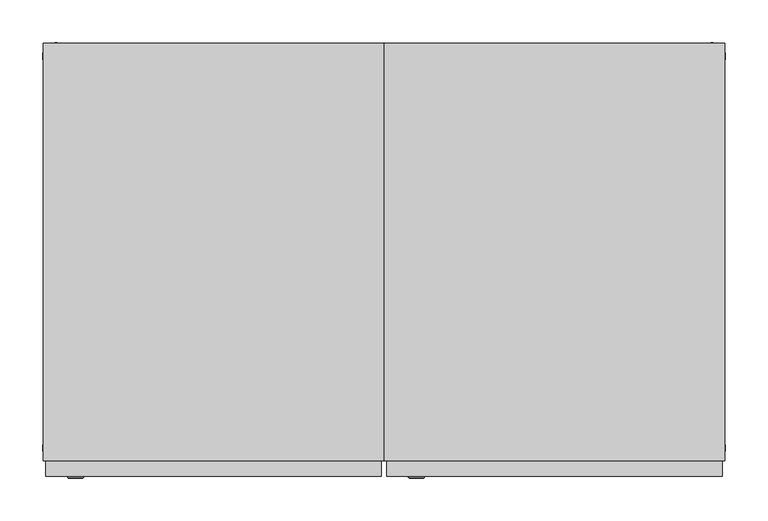
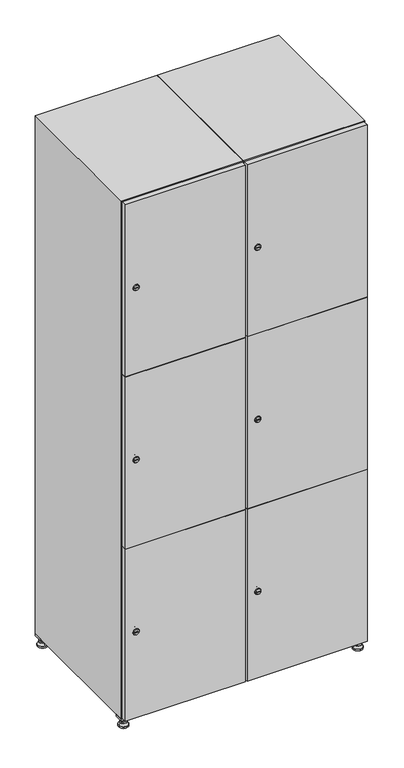
"""IFC4 building model written with IfcOpenShell, lengths in millimetres: furniture geometry."""

from ifc_helpers import new_model, si_unit, point, frame, frame_2d, origin, origin_with_axes, place, context, project, spatial, polyline, circle_curve, trimmed, segment, composite_curve, outline, extrude, faceted_brep, source, transform, mapped, element, save
from ifc_brep_helpers import plane_surface, revolved_surface, advanced_brep


def furniture_502a4980(model_context):
    return source(origin(), model_context, "Body", "SolidModel", [
        extrude(outline(polyline([(600.0, 245.0), (600.0, 215.0), (570.0, 215.0), (570.0, 245.0), (600.0, 245.0)]), holes=[polyline([(598.0, 243.0), (572.0, 243.0), (572.0, 217.0), (598.0, 217.0), (598.0, 243.0)])]), frame((0.0, 0.0, 28.5), z_axis=(0.0, 0.0, 1.0), x_axis=(1.0, 0.0, 0.0)), (0.0, 0.0, 1.0), 6.5),
        extrude(outline(polyline([(570.0, -245.0), (570.0, -215.0), (600.0, -215.0), (600.0, -245.0), (570.0, -245.0)]), holes=[polyline([(572.0, -243.0), (598.0, -243.0), (598.0, -217.0), (572.0, -217.0), (572.0, -243.0)])]), frame((0.0, 0.0, 28.5), z_axis=(0.0, 0.0, 1.0), x_axis=(1.0, 0.0, 0.0)), (0.0, 0.0, 1.0), 6.5),
        extrude(outline(polyline([(-170.0, 245.0), (-170.0, 215.0), (-200.0, 215.0), (-200.0, 245.0), (-170.0, 245.0)]), holes=[polyline([(-172.0, 243.0), (-198.0, 243.0), (-198.0, 217.0), (-172.0, 217.0), (-172.0, 243.0)])]), frame((0.0, 0.0, 28.5), z_axis=(0.0, 0.0, 1.0), x_axis=(1.0, 0.0, 0.0)), (0.0, 0.0, 1.0), 6.5),
        extrude(outline(polyline([(-170.0, -215.0), (-170.0, -245.0), (-200.0, -245.0), (-200.0, -215.0), (-170.0, -215.0)]), holes=[polyline([(-198.0, -243.0), (-172.0, -243.0), (-172.0, -217.0), (-198.0, -217.0), (-198.0, -243.0)])]), frame((0.0, 0.0, 28.5), z_axis=(0.0, 0.0, 1.0), x_axis=(1.0, 0.0, 0.0)), (0.0, 0.0, 1.0), 6.5),
        extrude(outline(composite_curve([segment(trimmed(circle_curve(frame_2d((-185.0, 230.0)), 5.0), [point((-180.0, 230.0))], [point((-190.0, 230.0))], False, "CARTESIAN"), True, "CONTINUOUS"), segment(trimmed(circle_curve(frame_2d((-185.0, 230.0)), 5.0), [point((-190.0, 230.0))], [point((-180.0, 230.0))], False, "CARTESIAN"), True, "CONTINUOUS")], self_intersect=False)), frame((0.0, 0.0, 19.6), z_axis=(0.0, 0.0, 1.0), x_axis=(1.0, 0.0, 0.0)), (0.0, 0.0, 1.0), 15.4),
        extrude(outline(composite_curve([segment(trimmed(circle_curve(frame_2d((-185.0, -230.0)), 5.0), [point((-180.0, -230.0))], [point((-190.0, -230.0))], False, "CARTESIAN"), True, "CONTINUOUS"), segment(trimmed(circle_curve(frame_2d((-185.0, -230.0)), 5.0), [point((-190.0, -230.0))], [point((-180.0, -230.0))], False, "CARTESIAN"), True, "CONTINUOUS")], self_intersect=False)), frame((0.0, 0.0, 19.6), z_axis=(0.0, 0.0, 1.0), x_axis=(1.0, 0.0, 0.0)), (0.0, 0.0, 1.0), 15.4),
        extrude(outline(composite_curve([segment(trimmed(circle_curve(frame_2d((585.0, 230.0)), 5.0), [point((590.0, 230.0))], [point((580.0, 230.0))], False, "CARTESIAN"), True, "CONTINUOUS"), segment(trimmed(circle_curve(frame_2d((585.0, 230.0)), 5.0), [point((580.0, 230.0))], [point((590.0, 230.0))], False, "CARTESIAN"), True, "CONTINUOUS")], self_intersect=False)), frame((0.0, 0.0, 19.6), z_axis=(0.0, 0.0, 1.0), x_axis=(1.0, 0.0, 0.0)), (0.0, 0.0, 1.0), 15.4),
        extrude(outline(polyline([(573.4529946, 230.0), (579.2264973, 240.0), (590.7735027, 240.0), (596.5470054, 230.0), (590.7735027, 220.0), (579.2264973, 220.0), (573.4529946, 230.0)])), frame((0.0, 0.0, 13.6), z_axis=(0.0, 0.0, 1.0), x_axis=(1.0, 0.0, 0.0)), (0.0, 0.0, 1.0), 6.0),
        extrude(outline(composite_curve([segment(trimmed(circle_curve(frame_2d((585.0, -230.0)), 5.0), [point((590.0, -230.0))], [point((580.0, -230.0))], False, "CARTESIAN"), True, "CONTINUOUS"), segment(trimmed(circle_curve(frame_2d((585.0, -230.0)), 5.0), [point((580.0, -230.0))], [point((590.0, -230.0))], False, "CARTESIAN"), True, "CONTINUOUS")], self_intersect=False)), frame((0.0, 0.0, 19.6), z_axis=(0.0, 0.0, 1.0), x_axis=(1.0, 0.0, 0.0)), (0.0, 0.0, 1.0), 15.4),
        extrude(outline(polyline([(573.4529946, -230.0), (579.2264973, -220.0), (590.7735027, -220.0), (596.5470054, -230.0), (590.7735027, -240.0), (579.2264973, -240.0), (573.4529946, -230.0)])), frame((0.0, 0.0, 13.6), z_axis=(0.0, 0.0, 1.0), x_axis=(1.0, 0.0, 0.0)), (0.0, 0.0, 1.0), 6.0),
        extrude(outline(composite_curve([segment(trimmed(circle_curve(frame_2d((585.0, 230.0)), 5.0), [point((590.0, 230.0))], [point((580.0, 230.0))], False, "CARTESIAN"), True, "CONTINUOUS"), segment(trimmed(circle_curve(frame_2d((585.0, 230.0)), 5.0), [point((580.0, 230.0))], [point((590.0, 230.0))], False, "CARTESIAN"), True, "CONTINUOUS")], self_intersect=False)), frame((0.0, 0.0, 12.1), z_axis=(0.0, 0.0, 1.0), x_axis=(1.0, 0.0, 0.0)), (0.0, 0.0, 1.0), 1.5),
        extrude(outline(composite_curve([segment(trimmed(circle_curve(frame_2d((585.0, -230.0)), 5.0), [point((590.0, -230.0))], [point((580.0, -230.0))], False, "CARTESIAN"), True, "CONTINUOUS"), segment(trimmed(circle_curve(frame_2d((585.0, -230.0)), 5.0), [point((580.0, -230.0))], [point((590.0, -230.0))], False, "CARTESIAN"), True, "CONTINUOUS")], self_intersect=False)), frame((0.0, 0.0, 12.1), z_axis=(0.0, 0.0, 1.0), x_axis=(1.0, 0.0, 0.0)), (0.0, 0.0, 1.0), 1.5),
        extrude(outline(polyline([(-196.5470054, 230.0), (-190.7735027, 240.0), (-179.2264973, 240.0), (-173.4529946, 230.0), (-179.2264973, 220.0), (-190.7735027, 220.0), (-196.5470054, 230.0)])), frame((0.0, 0.0, 13.6), z_axis=(0.0, 0.0, 1.0), x_axis=(1.0, 0.0, 0.0)), (0.0, 0.0, 1.0), 6.0),
        extrude(outline(polyline([(-196.5470054, -230.0), (-190.7735027, -220.0), (-179.2264973, -220.0), (-173.4529946, -230.0), (-179.2264973, -240.0), (-190.7735027, -240.0), (-196.5470054, -230.0)])), frame((0.0, 0.0, 13.6), z_axis=(0.0, 0.0, 1.0), x_axis=(1.0, 0.0, 0.0)), (0.0, 0.0, 1.0), 6.0),
        extrude(outline(composite_curve([segment(trimmed(circle_curve(frame_2d((-185.0, 230.0)), 5.0), [point((-185.0, 235.0))], [point((-185.0, 225.0))], False, "CARTESIAN"), True, "CONTINUOUS"), segment(trimmed(circle_curve(frame_2d((-185.0, 230.0)), 5.0), [point((-185.0, 225.0))], [point((-185.0, 235.0))], False, "CARTESIAN"), True, "CONTINUOUS")], self_intersect=False)), frame((0.0, 0.0, 12.1), z_axis=(0.0, 0.0, 1.0), x_axis=(1.0, 0.0, 0.0)), (0.0, 0.0, 1.0), 1.5),
        extrude(outline(composite_curve([segment(trimmed(circle_curve(frame_2d((-185.0, -230.0)), 5.0), [point((-180.0, -230.0))], [point((-190.0, -230.0))], False, "CARTESIAN"), True, "CONTINUOUS"), segment(trimmed(circle_curve(frame_2d((-185.0, -230.0)), 5.0), [point((-190.0, -230.0))], [point((-180.0, -230.0))], False, "CARTESIAN"), True, "CONTINUOUS")], self_intersect=False)), frame((0.0, 0.0, 12.1), z_axis=(0.0, 0.0, 1.0), x_axis=(1.0, 0.0, 0.0)), (0.0, 0.0, 1.0), 1.5),
        extrude(outline(composite_curve([segment(trimmed(circle_curve(frame_2d((585.0, 230.0)), 15.75), [point((600.75, 230.0))], [point((569.25, 230.0))], False, "CARTESIAN"), True, "CONTINUOUS"), segment(trimmed(circle_curve(frame_2d((585.0, 230.0)), 15.75), [point((569.25, 230.0))], [point((600.75, 230.0))], False, "CARTESIAN"), True, "CONTINUOUS")], self_intersect=False)), origin_with_axes(), (0.0, 0.0, 1.0), 5.1),
        extrude(outline(composite_curve([segment(trimmed(circle_curve(frame_2d((585.0, -230.0)), 15.75), [point((585.0, -214.25))], [point((585.0, -245.75))], False, "CARTESIAN"), True, "CONTINUOUS"), segment(trimmed(circle_curve(frame_2d((585.0, -230.0)), 15.75), [point((585.0, -245.75))], [point((585.0, -214.25))], False, "CARTESIAN"), True, "CONTINUOUS")], self_intersect=False)), origin_with_axes(), (0.0, 0.0, 1.0), 5.1),
        extrude(outline(composite_curve([segment(trimmed(circle_curve(frame_2d((-185.0, -230.0)), 15.75), [point((-169.25, -230.0))], [point((-200.75, -230.0))], False, "CARTESIAN"), True, "CONTINUOUS"), segment(trimmed(circle_curve(frame_2d((-185.0, -230.0)), 15.75), [point((-200.75, -230.0))], [point((-169.25, -230.0))], False, "CARTESIAN"), True, "CONTINUOUS")], self_intersect=False)), origin_with_axes(), (0.0, 0.0, 1.0), 5.1),
        extrude(outline(composite_curve([segment(trimmed(circle_curve(frame_2d((-185.0, 230.0)), 15.75), [point((-169.25, 230.0))], [point((-200.75, 230.0))], False, "CARTESIAN"), True, "CONTINUOUS"), segment(trimmed(circle_curve(frame_2d((-185.0, 230.0)), 15.75), [point((-200.75, 230.0))], [point((-169.25, 230.0))], False, "CARTESIAN"), True, "CONTINUOUS")], self_intersect=False)), origin_with_axes(), (0.0, 0.0, 1.0), 5.1),
        advanced_brep(
        [(-185.0, 239.5, 12.1), (-185.0, 220.5, 12.1), (-185.0, 214.25, 5.1), (-185.0, 245.75, 5.1)],
        [
            (0, 1, circle_curve(frame((-185.0, 230.0, 12.1), z_axis=(0.0, 0.0, -1.0), x_axis=(0.0, 1.0, 0.0)), 9.5)),
            (1, 2),
            (2, 3, circle_curve(frame((-185.0, 230.0, 5.1), z_axis=(0.0, 0.0, 1.0), x_axis=(0.0, 1.0, 0.0)), 15.75)),
            (3, 0),
            (1, 0, circle_curve(frame((-185.0, 230.0, 12.1), z_axis=(0.0, 0.0, -1.0), x_axis=(0.0, -1.0, 0.0)), 9.5)),
            (3, 2, circle_curve(frame((-185.0, 230.0, 5.1), z_axis=(0.0, 0.0, 1.0), x_axis=(0.0, -1.0, 0.0)), 15.75)),
        ],
        [
            revolved_surface(polyline([(-185.0, 220.5, 12.099999999999998), (-185.0, 214.25, 5.099999999999998)]), (-185.0, 230.0, 22.74), (0.0, 0.0, -1.0)),
            revolved_surface(polyline([(-185.0, 239.5, 12.099999999999998), (-185.0, 245.75, 5.099999999999998)]), (-185.0, 230.0, 22.74), (0.0, 0.0, -1.0)),
            plane_surface(frame((-185.0, 230.0, 5.1), z_axis=(0.0, 0.0, -1.0), x_axis=(1.0, 0.0, 0.0))),
            plane_surface(frame((-185.0, 230.0, 12.1), z_axis=(0.0, 0.0, 1.0), x_axis=(1.0, 0.0, 0.0))),
        ],
        [
            (0, [[1, 2, 3, 4]]),
            (1, [[5, -4, 6, -2]]),
            (2, [[-3, -6]]),
            (3, [[-5, -1]]),
        ],
    ),
        advanced_brep(
        [(585.0, 239.5, 12.1), (585.0, 220.5, 12.1), (585.0, 214.25, 5.1), (585.0, 245.75, 5.1)],
        [
            (0, 1, circle_curve(frame((585.0, 230.0, 12.1), z_axis=(0.0, 0.0, -1.0), x_axis=(0.0, 1.0, 0.0)), 9.5)),
            (1, 2),
            (2, 3, circle_curve(frame((585.0, 230.0, 5.1), z_axis=(0.0, 0.0, 1.0), x_axis=(0.0, 1.0, 0.0)), 15.75)),
            (3, 0),
            (1, 0, circle_curve(frame((585.0, 230.0, 12.1), z_axis=(0.0, 0.0, -1.0), x_axis=(0.0, -1.0, 0.0)), 9.5)),
            (3, 2, circle_curve(frame((585.0, 230.0, 5.1), z_axis=(0.0, 0.0, 1.0), x_axis=(0.0, -1.0, 0.0)), 15.75)),
        ],
        [
            revolved_surface(polyline([(585.0, 220.5, 12.099999999999998), (585.0, 214.25, 5.099999999999998)]), (585.0, 230.0, 22.74), (0.0, 0.0, -1.0)),
            revolved_surface(polyline([(585.0, 239.5, 12.099999999999998), (585.0, 245.75, 5.099999999999998)]), (585.0, 230.0, 22.74), (0.0, 0.0, -1.0)),
            plane_surface(frame((585.0, 230.0, 5.1), z_axis=(0.0, 0.0, -1.0), x_axis=(1.0, 0.0, 0.0))),
            plane_surface(frame((585.0, 230.0, 12.1), z_axis=(0.0, 0.0, 1.0), x_axis=(1.0, 0.0, 0.0))),
        ],
        [
            (0, [[1, 2, 3, 4]]),
            (1, [[5, -4, 6, -2]]),
            (2, [[-3, -6]]),
            (3, [[-5, -1]]),
        ],
    ),
        advanced_brep(
        [(600.75, -230.0, 5.1), (569.25, -230.0, 5.1), (575.5, -230.0, 12.1), (594.5, -230.0, 12.1)],
        [
            (0, 1, circle_curve(frame((585.0, -230.0, 5.1), z_axis=(0.0, 0.0, 1.0), x_axis=(1.0, 0.0, 0.0)), 15.75)),
            (1, 2),
            (2, 3, circle_curve(frame((585.0, -230.0, 12.1), z_axis=(0.0, 0.0, -1.0), x_axis=(1.0, 0.0, 0.0)), 9.5)),
            (3, 0),
            (1, 0, circle_curve(frame((585.0, -230.0, 5.1), z_axis=(0.0, 0.0, 1.0), x_axis=(-1.0, 0.0, 0.0)), 15.75)),
            (3, 2, circle_curve(frame((585.0, -230.0, 12.1), z_axis=(0.0, 0.0, -1.0), x_axis=(-1.0, 0.0, 0.0)), 9.5)),
        ],
        [
            revolved_surface(polyline([(594.5, -230.0, 12.099999999999998), (600.75, -230.0, 5.099999999999998)]), (585.0, -230.0, 22.74), (0.0, 0.0, -1.0)),
            revolved_surface(polyline([(575.5, -230.0, 12.099999999999998), (569.25, -230.0, 5.099999999999998)]), (585.0, -230.0, 22.74), (0.0, 0.0, -1.0)),
            plane_surface(frame((585.0, -230.0, 12.1), z_axis=(0.0, 0.0, 1.0), x_axis=(0.0, 1.0, 0.0))),
            plane_surface(frame((585.0, -230.0, 5.1), z_axis=(0.0, 0.0, -1.0), x_axis=(0.0, 1.0, 0.0))),
        ],
        [
            (0, [[1, 2, 3, 4]]),
            (1, [[5, -4, 6, -2]]),
            (2, [[-3, -6]]),
            (3, [[-5, -1]]),
        ],
    ),
        advanced_brep(
        [(-169.25, -230.0, 5.1), (-200.75, -230.0, 5.1), (-194.5, -230.0, 12.1), (-175.5, -230.0, 12.1)],
        [
            (0, 1, circle_curve(frame((-185.0, -230.0, 5.1), z_axis=(0.0, 0.0, 1.0), x_axis=(1.0, 0.0, 0.0)), 15.75)),
            (1, 2),
            (2, 3, circle_curve(frame((-185.0, -230.0, 12.1), z_axis=(0.0, 0.0, -1.0), x_axis=(1.0, 0.0, 0.0)), 9.5)),
            (3, 0),
            (1, 0, circle_curve(frame((-185.0, -230.0, 5.1), z_axis=(0.0, 0.0, 1.0), x_axis=(-1.0, 0.0, 0.0)), 15.75)),
            (3, 2, circle_curve(frame((-185.0, -230.0, 12.1), z_axis=(0.0, 0.0, -1.0), x_axis=(-1.0, 0.0, 0.0)), 9.5)),
        ],
        [
            revolved_surface(polyline([(-175.5, -230.0, 12.099999999999998), (-169.25, -230.0, 5.099999999999998)]), (-185.0, -230.0, 22.74), (0.0, 0.0, -1.0)),
            revolved_surface(polyline([(-194.5, -230.0, 12.099999999999998), (-200.75, -230.0, 5.099999999999998)]), (-185.0, -230.0, 22.74), (0.0, 0.0, -1.0)),
            plane_surface(frame((-185.0, -230.0, 12.1), z_axis=(0.0, 0.0, 1.0), x_axis=(0.0, 1.0, 0.0))),
            plane_surface(frame((-185.0, -230.0, 5.1), z_axis=(0.0, 0.0, -1.0), x_axis=(0.0, 1.0, 0.0))),
        ],
        [
            (0, [[1, 2, 3, 4]]),
            (1, [[5, -4, 6, -2]]),
            (2, [[-3, -6]]),
            (3, [[-5, -1]]),
        ],
    ),
        extrude(outline(composite_curve([segment(trimmed(circle_curve(frame_2d((337.0, 211.2010534)), 7.0), [point((344.0, 211.2010534))], [point((330.0, 211.2010534))], False, "CARTESIAN"), True, "CONTINUOUS"), segment(polyline([(330.0, 211.2010534), (330.0, 239.2010534)]), True, "CONTINUOUS"), segment(trimmed(circle_curve(frame_2d((337.0, 239.2010534)), 7.0), [point((330.0, 239.2010534))], [point((344.0, 239.2010534))], False, "CARTESIAN"), True, "CONTINUOUS"), segment(polyline([(344.0, 239.2010534), (344.0, 211.2010534)]), True, "CONTINUOUS")], self_intersect=False)), frame((0.0, -245.0, 0.0), z_axis=(0.0, 1.0, 0.0), x_axis=(0.0, 0.0, 1.0)), (0.0, 0.0, 1.0), 2.0),
        advanced_brep(
        [(246.5, -265.2, 337.0), (229.5, -265.2, 337.0), (233.0, -265.2, 335.75), (233.0, -265.2, 338.25), (243.0, -265.2, 338.25), (243.0, -265.2, 335.75), (248.5, -263.0, 337.0), (227.5, -263.0, 337.0), (233.0, -263.0, 338.25), (233.0, -263.0, 335.75), (243.0, -263.0, 335.75), (243.0, -263.0, 338.25)],
        [
            (0, 1, circle_curve(frame((238.0, -265.2, 337.0), z_axis=(0.0, -1.0, 0.0), x_axis=(1.0, 0.0, 0.0)), 8.5)),
            (1, 0, circle_curve(frame((238.0, -265.2, 337.0), z_axis=(0.0, -1.0, 0.0), x_axis=(-1.0, 0.0, 0.0)), 8.5)),
            (2, 3),
            (3, 4),
            (4, 5),
            (5, 2),
            (6, 7, circle_curve(frame((238.0, -263.0, 337.0), z_axis=(0.0, 1.0, 0.0), x_axis=(-1.0, 0.0, 0.0)), 10.5)),
            (7, 6, circle_curve(frame((238.0, -263.0, 337.0), z_axis=(0.0, 1.0, 0.0), x_axis=(1.0, 0.0, 0.0)), 10.5)),
            (8, 9),
            (9, 10),
            (10, 11),
            (11, 8),
            (0, 6),
            (7, 1),
            (8, 3),
            (2, 9),
            (11, 4),
            (10, 5),
        ],
        [
            plane_surface(frame((238.0, -265.2, 337.0), z_axis=(0.0, -1.0, 0.0), x_axis=(0.0, 0.0, 1.0))),
            plane_surface(frame((238.0, -263.0, 337.0), z_axis=(0.0, 1.0, 0.0), x_axis=(0.0, 0.0, 1.0))),
            revolved_surface(polyline([(246.5, -265.2, 337.0), (248.5, -263.0, 337.0)]), (238.0, -274.55, 337.0), (0.0, 1.0, 0.0)),
            revolved_surface(polyline([(229.5, -265.2, 337.0), (227.5, -263.0, 337.0)]), (238.0, -274.55, 337.0), (0.0, 1.0, 0.0)),
            plane_surface(frame((233.0, -263.0, 335.75), z_axis=(1.0, 0.0, 0.0), x_axis=(0.0, -1.0, 0.0))),
            plane_surface(frame((233.0, -263.0, 338.25), z_axis=(0.0, 0.0, -1.0), x_axis=(0.0, -1.0, 0.0))),
            plane_surface(frame((243.0, -263.0, 338.25), z_axis=(-1.0, 0.0, 0.0), x_axis=(0.0, -1.0, 0.0))),
            plane_surface(frame((243.0, -263.0, 335.75), z_axis=(0.0, 0.0, 1.0), x_axis=(0.0, -1.0, 0.0))),
        ],
        [
            (0, [[1, 2], [3, 4, 5, 6]]),
            (1, [[7, 8], [9, 10, 11, 12]]),
            (2, [[-1, 13, -8, 14]]),
            (3, [[-2, -14, -7, -13]]),
            (4, [[15, -3, 16, -9]]),
            (5, [[-15, -12, 17, -4]]),
            (6, [[-17, -11, 18, -5]]),
            (7, [[-16, -6, -18, -10]]),
        ],
    ),
        extrude(outline(composite_curve([segment(trimmed(circle_curve(frame_2d((935.0, 211.2010534)), 7.0), [point((942.0, 211.2010534))], [point((928.0, 211.2010534))], False, "CARTESIAN"), True, "CONTINUOUS"), segment(polyline([(928.0, 211.2010534), (928.0, 239.2010534)]), True, "CONTINUOUS"), segment(trimmed(circle_curve(frame_2d((935.0, 239.2010534)), 7.0), [point((928.0, 239.2010534))], [point((942.0, 239.2010534))], False, "CARTESIAN"), True, "CONTINUOUS"), segment(polyline([(942.0, 239.2010534), (942.0, 211.2010534)]), True, "CONTINUOUS")], self_intersect=False)), frame((0.0, -245.0, 0.0), z_axis=(0.0, 1.0, 0.0), x_axis=(0.0, 0.0, 1.0)), (0.0, 0.0, 1.0), 2.0),
        advanced_brep(
        [(246.5, -265.2, 935.0), (229.5, -265.2, 935.0), (233.0, -265.2, 933.75), (233.0, -265.2, 936.25), (243.0, -265.2, 936.25), (243.0, -265.2, 933.75), (248.5, -263.0, 935.0), (227.5, -263.0, 935.0), (233.0, -263.0, 936.25), (233.0, -263.0, 933.75), (243.0, -263.0, 933.75), (243.0, -263.0, 936.25)],
        [
            (0, 1, circle_curve(frame((238.0, -265.2, 935.0), z_axis=(0.0, -1.0, 0.0), x_axis=(1.0, 0.0, 0.0)), 8.5)),
            (1, 0, circle_curve(frame((238.0, -265.2, 935.0), z_axis=(0.0, -1.0, 0.0), x_axis=(-1.0, 0.0, 0.0)), 8.5)),
            (2, 3),
            (3, 4),
            (4, 5),
            (5, 2),
            (6, 7, circle_curve(frame((238.0, -263.0, 935.0), z_axis=(0.0, 1.0, 0.0), x_axis=(-1.0, 0.0, 0.0)), 10.5)),
            (7, 6, circle_curve(frame((238.0, -263.0, 935.0), z_axis=(0.0, 1.0, 0.0), x_axis=(1.0, 0.0, 0.0)), 10.5)),
            (8, 9),
            (9, 10),
            (10, 11),
            (11, 8),
            (0, 6),
            (7, 1),
            (8, 3),
            (2, 9),
            (11, 4),
            (10, 5),
        ],
        [
            plane_surface(frame((238.0, -265.2, 935.0), z_axis=(0.0, -1.0, 0.0), x_axis=(0.0, 0.0, 1.0))),
            plane_surface(frame((238.0, -263.0, 935.0), z_axis=(0.0, 1.0, 0.0), x_axis=(0.0, 0.0, 1.0))),
            revolved_surface(polyline([(246.5, -265.2, 935.0), (248.5, -263.0, 935.0)]), (238.0, -274.55, 935.0), (0.0, 1.0, 0.0)),
            revolved_surface(polyline([(229.5, -265.2, 935.0), (227.5, -263.0, 935.0)]), (238.0, -274.55, 935.0), (0.0, 1.0, 0.0)),
            plane_surface(frame((233.0, -263.0, 933.75), z_axis=(1.0, 0.0, 0.0), x_axis=(0.0, -1.0, 0.0))),
            plane_surface(frame((233.0, -263.0, 936.25), z_axis=(0.0, 0.0, -1.0), x_axis=(0.0, -1.0, 0.0))),
            plane_surface(frame((243.0, -263.0, 936.25), z_axis=(-1.0, 0.0, 0.0), x_axis=(0.0, -1.0, 0.0))),
            plane_surface(frame((243.0, -263.0, 933.75), z_axis=(0.0, 0.0, 1.0), x_axis=(0.0, -1.0, 0.0))),
        ],
        [
            (0, [[1, 2], [3, 4, 5, 6]]),
            (1, [[7, 8], [9, 10, 11, 12]]),
            (2, [[-1, 13, -8, 14]]),
            (3, [[-2, -14, -7, -13]]),
            (4, [[15, -3, 16, -9]]),
            (5, [[-15, -12, 17, -4]]),
            (6, [[-17, -11, 18, -5]]),
            (7, [[-16, -6, -18, -10]]),
        ],
    ),
        extrude(outline(composite_curve([segment(trimmed(circle_curve(frame_2d((1533.0, 211.2010534)), 7.0), [point((1540.0, 211.2010534))], [point((1526.0, 211.2010534))], False, "CARTESIAN"), True, "CONTINUOUS"), segment(polyline([(1526.0, 211.2010534), (1526.0, 239.2010534)]), True, "CONTINUOUS"), segment(trimmed(circle_curve(frame_2d((1533.0, 239.2010534)), 7.0), [point((1526.0, 239.2010534))], [point((1540.0, 239.2010534))], False, "CARTESIAN"), True, "CONTINUOUS"), segment(polyline([(1540.0, 239.2010534), (1540.0, 211.2010534)]), True, "CONTINUOUS")], self_intersect=False)), frame((0.0, -245.0, 0.0), z_axis=(0.0, 1.0, 0.0), x_axis=(0.0, 0.0, 1.0)), (0.0, 0.0, 1.0), 2.0),
        advanced_brep(
        [(246.5, -265.2, 1533.0), (229.5, -265.2, 1533.0), (233.0, -265.2, 1531.75), (233.0, -265.2, 1534.25), (243.0, -265.2, 1534.25), (243.0, -265.2, 1531.75), (248.5, -263.0, 1533.0), (227.5, -263.0, 1533.0), (233.0, -263.0, 1534.25), (233.0, -263.0, 1531.75), (243.0, -263.0, 1531.75), (243.0, -263.0, 1534.25)],
        [
            (0, 1, circle_curve(frame((238.0, -265.2, 1533.0), z_axis=(0.0, -1.0, 0.0), x_axis=(1.0, 0.0, 0.0)), 8.5)),
            (1, 0, circle_curve(frame((238.0, -265.2, 1533.0), z_axis=(0.0, -1.0, 0.0), x_axis=(-1.0, 0.0, 0.0)), 8.5)),
            (2, 3),
            (3, 4),
            (4, 5),
            (5, 2),
            (6, 7, circle_curve(frame((238.0, -263.0, 1533.0), z_axis=(0.0, 1.0, 0.0), x_axis=(-1.0, 0.0, 0.0)), 10.5)),
            (7, 6, circle_curve(frame((238.0, -263.0, 1533.0), z_axis=(0.0, 1.0, 0.0), x_axis=(1.0, 0.0, 0.0)), 10.5)),
            (8, 9),
            (9, 10),
            (10, 11),
            (11, 8),
            (0, 6),
            (7, 1),
            (8, 3),
            (2, 9),
            (11, 4),
            (10, 5),
        ],
        [
            plane_surface(frame((238.0, -265.2, 1533.0), z_axis=(0.0, -1.0, 0.0), x_axis=(0.0, 0.0, 1.0))),
            plane_surface(frame((238.0, -263.0, 1533.0), z_axis=(0.0, 1.0, 0.0), x_axis=(0.0, 0.0, 1.0))),
            revolved_surface(polyline([(246.5, -265.2, 1533.0), (248.5, -263.0, 1533.0)]), (238.0, -274.55, 1533.0), (0.0, 1.0, 0.0)),
            revolved_surface(polyline([(229.5, -265.2, 1533.0), (227.5, -263.0, 1533.0)]), (238.0, -274.55, 1533.0), (0.0, 1.0, 0.0)),
            plane_surface(frame((233.0, -263.0, 1531.75), z_axis=(1.0, 0.0, 0.0), x_axis=(0.0, -1.0, 0.0))),
            plane_surface(frame((233.0, -263.0, 1534.25), z_axis=(0.0, 0.0, -1.0), x_axis=(0.0, -1.0, 0.0))),
            plane_surface(frame((243.0, -263.0, 1534.25), z_axis=(-1.0, 0.0, 0.0), x_axis=(0.0, -1.0, 0.0))),
            plane_surface(frame((243.0, -263.0, 1531.75), z_axis=(0.0, 0.0, 1.0), x_axis=(0.0, -1.0, 0.0))),
        ],
        [
            (0, [[1, 2], [3, 4, 5, 6]]),
            (1, [[7, 8], [9, 10, 11, 12]]),
            (2, [[-1, 13, -8, 14]]),
            (3, [[-2, -14, -7, -13]]),
            (4, [[15, -3, 16, -9]]),
            (5, [[-15, -12, 17, -4]]),
            (6, [[-17, -11, 18, -5]]),
            (7, [[-16, -6, -18, -10]]),
        ],
    ),
        extrude(outline(polyline([(597.0, -245.0), (597.0, -263.0), (203.0, -263.0), (203.0, -245.0), (597.0, -245.0)])), frame((0.0, 0.0, 636.5), z_axis=(0.0, 0.0, 1.0), x_axis=(1.0, 0.0, 0.0)), (0.0, 0.0, 1.0), 597.0),
        extrude(outline(polyline([(203.0, -263.0), (203.0, -245.0), (597.0, -245.0), (597.0, -263.0), (203.0, -263.0)])), frame((0.0, 0.0, 1234.5), z_axis=(0.0, 0.0, 1.0), x_axis=(1.0, 0.0, 0.0)), (0.0, 0.0, 1.0), 597.5),
        extrude(outline(polyline([(597.0, -245.0), (597.0, -263.0), (203.0, -263.0), (203.0, -245.0), (597.0, -245.0)])), frame((0.0, 0.0, 38.0), z_axis=(0.0, 0.0, 1.0), x_axis=(1.0, 0.0, 0.0)), (0.0, 0.0, 1.0), 597.5),
        extrude(outline(polyline([(579.6, 242.0), (579.6, -227.0), (220.4, -227.0), (220.4, 242.0), (579.6, 242.0)])), frame((0.0, 0.0, 1214.7333333), z_axis=(0.0, 0.0, 1.0), x_axis=(1.0, 0.0, 0.0)), (0.0, 0.0, 1.0), 20.4),
        extrude(outline(polyline([(220.4, 242.0), (579.6, 242.0), (579.6, -227.0), (220.4, -227.0), (220.4, 242.0)])), frame((0.0, 0.0, 634.8666667), z_axis=(0.0, 0.0, 1.0), x_axis=(1.0, 0.0, 0.0)), (0.0, 0.0, 1.0), 20.4),
        faceted_brep([(600.0, -245.0, 35.0), (600.0, -245.0, 1835.0), (200.0, -245.0, 1835.0), (200.0, -245.0, 35.0), (579.6, -245.0, 1804.8), (579.6, -245.0, 65.2), (220.4, -245.0, 65.2), (220.4, -245.0, 1804.8), (600.0, 245.0, 35.0), (200.0, 245.0, 35.0), (600.0, 245.0, 1835.0), (200.0, 245.0, 1835.0), (579.6, 242.0, 1804.8), (579.6, 242.0, 65.2), (200.0, 245.0, 1804.8), (220.4, 242.0, 1804.8), (220.4, 242.0, 65.2)], [[[0, 1, 2, 3], [4, 5, 6, 7]], [[8, 0, 3, 9]], [[1, 0, 8, 10]], [[1, 10, 11, 2]], [[4, 12, 13, 5]], [[9, 3, 2, 11, 14]], [[10, 8, 9, 14, 11]], [[12, 15, 16, 13]], [[15, 7, 6, 16]], [[4, 7, 15, 12]], [[6, 5, 13, 16]]]),
        extrude(outline(composite_curve([segment(trimmed(circle_curve(frame_2d((337.0, -188.7989466)), 7.0), [point((344.0, -188.7989466))], [point((330.0, -188.7989466))], False, "CARTESIAN"), True, "CONTINUOUS"), segment(polyline([(330.0, -188.7989466), (330.0, -160.7989466)]), True, "CONTINUOUS"), segment(trimmed(circle_curve(frame_2d((337.0, -160.7989466)), 7.0), [point((330.0, -160.7989466))], [point((344.0, -160.7989466))], False, "CARTESIAN"), True, "CONTINUOUS"), segment(polyline([(344.0, -160.7989466), (344.0, -188.7989466)]), True, "CONTINUOUS")], self_intersect=False)), frame((0.0, -245.0, 0.0), z_axis=(0.0, 1.0, 0.0), x_axis=(0.0, 0.0, 1.0)), (0.0, 0.0, 1.0), 2.0),
        advanced_brep(
        [(-153.5, -265.2, 337.0), (-170.5, -265.2, 337.0), (-167.0, -265.2, 335.75), (-167.0, -265.2, 338.25), (-157.0, -265.2, 338.25), (-157.0, -265.2, 335.75), (-151.5, -263.0, 337.0), (-172.5, -263.0, 337.0), (-167.0, -263.0, 338.25), (-167.0, -263.0, 335.75), (-157.0, -263.0, 335.75), (-157.0, -263.0, 338.25)],
        [
            (0, 1, circle_curve(frame((-162.0, -265.2, 337.0), z_axis=(0.0, -1.0, 0.0), x_axis=(1.0, 0.0, 0.0)), 8.5)),
            (1, 0, circle_curve(frame((-162.0, -265.2, 337.0), z_axis=(0.0, -1.0, 0.0), x_axis=(-1.0, 0.0, 0.0)), 8.5)),
            (2, 3),
            (3, 4),
            (4, 5),
            (5, 2),
            (6, 7, circle_curve(frame((-162.0, -263.0, 337.0), z_axis=(0.0, 1.0, 0.0), x_axis=(-1.0, 0.0, 0.0)), 10.5)),
            (7, 6, circle_curve(frame((-162.0, -263.0, 337.0), z_axis=(0.0, 1.0, 0.0), x_axis=(1.0, 0.0, 0.0)), 10.5)),
            (8, 9),
            (9, 10),
            (10, 11),
            (11, 8),
            (0, 6),
            (7, 1),
            (8, 3),
            (2, 9),
            (11, 4),
            (10, 5),
        ],
        [
            plane_surface(frame((-162.0, -265.2, 337.0), z_axis=(0.0, -1.0, 0.0), x_axis=(0.0, 0.0, 1.0))),
            plane_surface(frame((-162.0, -263.0, 337.0), z_axis=(0.0, 1.0, 0.0), x_axis=(0.0, 0.0, 1.0))),
            revolved_surface(polyline([(-153.5, -265.2, 337.0), (-151.5, -263.0, 337.0)]), (-162.0, -274.55, 337.0), (0.0, 1.0, 0.0)),
            revolved_surface(polyline([(-170.5, -265.2, 337.0), (-172.5, -263.0, 337.0)]), (-162.0, -274.55, 337.0), (0.0, 1.0, 0.0)),
            plane_surface(frame((-167.0, -263.0, 335.75), z_axis=(1.0, 0.0, 0.0), x_axis=(0.0, -1.0, 0.0))),
            plane_surface(frame((-167.0, -263.0, 338.25), z_axis=(0.0, 0.0, -1.0), x_axis=(0.0, -1.0, 0.0))),
            plane_surface(frame((-157.0, -263.0, 338.25), z_axis=(-1.0, 0.0, 0.0), x_axis=(0.0, -1.0, 0.0))),
            plane_surface(frame((-157.0, -263.0, 335.75), z_axis=(0.0, 0.0, 1.0), x_axis=(0.0, -1.0, 0.0))),
        ],
        [
            (0, [[1, 2], [3, 4, 5, 6]]),
            (1, [[7, 8], [9, 10, 11, 12]]),
            (2, [[-1, 13, -8, 14]]),
            (3, [[-2, -14, -7, -13]]),
            (4, [[15, -3, 16, -9]]),
            (5, [[-15, -12, 17, -4]]),
            (6, [[-17, -11, 18, -5]]),
            (7, [[-16, -6, -18, -10]]),
        ],
    ),
        extrude(outline(composite_curve([segment(trimmed(circle_curve(frame_2d((935.0, -188.7989466)), 7.0), [point((942.0, -188.7989466))], [point((928.0, -188.7989466))], False, "CARTESIAN"), True, "CONTINUOUS"), segment(polyline([(928.0, -188.7989466), (928.0, -160.7989466)]), True, "CONTINUOUS"), segment(trimmed(circle_curve(frame_2d((935.0, -160.7989466)), 7.0), [point((928.0, -160.7989466))], [point((942.0, -160.7989466))], False, "CARTESIAN"), True, "CONTINUOUS"), segment(polyline([(942.0, -160.7989466), (942.0, -188.7989466)]), True, "CONTINUOUS")], self_intersect=False)), frame((0.0, -245.0, 0.0), z_axis=(0.0, 1.0, 0.0), x_axis=(0.0, 0.0, 1.0)), (0.0, 0.0, 1.0), 2.0),
        advanced_brep(
        [(-153.5, -265.2, 935.0), (-170.5, -265.2, 935.0), (-167.0, -265.2, 933.75), (-167.0, -265.2, 936.25), (-157.0, -265.2, 936.25), (-157.0, -265.2, 933.75), (-151.5, -263.0, 935.0), (-172.5, -263.0, 935.0), (-167.0, -263.0, 936.25), (-167.0, -263.0, 933.75), (-157.0, -263.0, 933.75), (-157.0, -263.0, 936.25)],
        [
            (0, 1, circle_curve(frame((-162.0, -265.2, 935.0), z_axis=(0.0, -1.0, 0.0), x_axis=(1.0, 0.0, 0.0)), 8.5)),
            (1, 0, circle_curve(frame((-162.0, -265.2, 935.0), z_axis=(0.0, -1.0, 0.0), x_axis=(-1.0, 0.0, 0.0)), 8.5)),
            (2, 3),
            (3, 4),
            (4, 5),
            (5, 2),
            (6, 7, circle_curve(frame((-162.0, -263.0, 935.0), z_axis=(0.0, 1.0, 0.0), x_axis=(-1.0, 0.0, 0.0)), 10.5)),
            (7, 6, circle_curve(frame((-162.0, -263.0, 935.0), z_axis=(0.0, 1.0, 0.0), x_axis=(1.0, 0.0, 0.0)), 10.5)),
            (8, 9),
            (9, 10),
            (10, 11),
            (11, 8),
            (0, 6),
            (7, 1),
            (8, 3),
            (2, 9),
            (11, 4),
            (10, 5),
        ],
        [
            plane_surface(frame((-162.0, -265.2, 935.0), z_axis=(0.0, -1.0, 0.0), x_axis=(0.0, 0.0, 1.0))),
            plane_surface(frame((-162.0, -263.0, 935.0), z_axis=(0.0, 1.0, 0.0), x_axis=(0.0, 0.0, 1.0))),
            revolved_surface(polyline([(-153.5, -265.2, 935.0), (-151.5, -263.0, 935.0)]), (-162.0, -274.55, 935.0), (0.0, 1.0, 0.0)),
            revolved_surface(polyline([(-170.5, -265.2, 935.0), (-172.5, -263.0, 935.0)]), (-162.0, -274.55, 935.0), (0.0, 1.0, 0.0)),
            plane_surface(frame((-167.0, -263.0, 933.75), z_axis=(1.0, 0.0, 0.0), x_axis=(0.0, -1.0, 0.0))),
            plane_surface(frame((-167.0, -263.0, 936.25), z_axis=(0.0, 0.0, -1.0), x_axis=(0.0, -1.0, 0.0))),
            plane_surface(frame((-157.0, -263.0, 936.25), z_axis=(-1.0, 0.0, 0.0), x_axis=(0.0, -1.0, 0.0))),
            plane_surface(frame((-157.0, -263.0, 933.75), z_axis=(0.0, 0.0, 1.0), x_axis=(0.0, -1.0, 0.0))),
        ],
        [
            (0, [[1, 2], [3, 4, 5, 6]]),
            (1, [[7, 8], [9, 10, 11, 12]]),
            (2, [[-1, 13, -8, 14]]),
            (3, [[-2, -14, -7, -13]]),
            (4, [[15, -3, 16, -9]]),
            (5, [[-15, -12, 17, -4]]),
            (6, [[-17, -11, 18, -5]]),
            (7, [[-16, -6, -18, -10]]),
        ],
    ),
        extrude(outline(composite_curve([segment(trimmed(circle_curve(frame_2d((1533.0, -188.7989466)), 7.0), [point((1540.0, -188.7989466))], [point((1526.0, -188.7989466))], False, "CARTESIAN"), True, "CONTINUOUS"), segment(polyline([(1526.0, -188.7989466), (1526.0, -160.7989466)]), True, "CONTINUOUS"), segment(trimmed(circle_curve(frame_2d((1533.0, -160.7989466)), 7.0), [point((1526.0, -160.7989466))], [point((1540.0, -160.7989466))], False, "CARTESIAN"), True, "CONTINUOUS"), segment(polyline([(1540.0, -160.7989466), (1540.0, -188.7989466)]), True, "CONTINUOUS")], self_intersect=False)), frame((0.0, -245.0, 0.0), z_axis=(0.0, 1.0, 0.0), x_axis=(0.0, 0.0, 1.0)), (0.0, 0.0, 1.0), 2.0),
        advanced_brep(
        [(-153.5, -265.2, 1533.0), (-170.5, -265.2, 1533.0), (-167.0, -265.2, 1531.75), (-167.0, -265.2, 1534.25), (-157.0, -265.2, 1534.25), (-157.0, -265.2, 1531.75), (-151.5, -263.0, 1533.0), (-172.5, -263.0, 1533.0), (-167.0, -263.0, 1534.25), (-167.0, -263.0, 1531.75), (-157.0, -263.0, 1531.75), (-157.0, -263.0, 1534.25)],
        [
            (0, 1, circle_curve(frame((-162.0, -265.2, 1533.0), z_axis=(0.0, -1.0, 0.0), x_axis=(1.0, 0.0, 0.0)), 8.5)),
            (1, 0, circle_curve(frame((-162.0, -265.2, 1533.0), z_axis=(0.0, -1.0, 0.0), x_axis=(-1.0, 0.0, 0.0)), 8.5)),
            (2, 3),
            (3, 4),
            (4, 5),
            (5, 2),
            (6, 7, circle_curve(frame((-162.0, -263.0, 1533.0), z_axis=(0.0, 1.0, 0.0), x_axis=(-1.0, 0.0, 0.0)), 10.5)),
            (7, 6, circle_curve(frame((-162.0, -263.0, 1533.0), z_axis=(0.0, 1.0, 0.0), x_axis=(1.0, 0.0, 0.0)), 10.5)),
            (8, 9),
            (9, 10),
            (10, 11),
            (11, 8),
            (0, 6),
            (7, 1),
            (8, 3),
            (2, 9),
            (11, 4),
            (10, 5),
        ],
        [
            plane_surface(frame((-162.0, -265.2, 1533.0), z_axis=(0.0, -1.0, 0.0), x_axis=(0.0, 0.0, 1.0))),
            plane_surface(frame((-162.0, -263.0, 1533.0), z_axis=(0.0, 1.0, 0.0), x_axis=(0.0, 0.0, 1.0))),
            revolved_surface(polyline([(-153.5, -265.2, 1533.0), (-151.5, -263.0, 1533.0)]), (-162.0, -274.55, 1533.0), (0.0, 1.0, 0.0)),
            revolved_surface(polyline([(-170.5, -265.2, 1533.0), (-172.5, -263.0, 1533.0)]), (-162.0, -274.55, 1533.0), (0.0, 1.0, 0.0)),
            plane_surface(frame((-167.0, -263.0, 1531.75), z_axis=(1.0, 0.0, 0.0), x_axis=(0.0, -1.0, 0.0))),
            plane_surface(frame((-167.0, -263.0, 1534.25), z_axis=(0.0, 0.0, -1.0), x_axis=(0.0, -1.0, 0.0))),
            plane_surface(frame((-157.0, -263.0, 1534.25), z_axis=(-1.0, 0.0, 0.0), x_axis=(0.0, -1.0, 0.0))),
            plane_surface(frame((-157.0, -263.0, 1531.75), z_axis=(0.0, 0.0, 1.0), x_axis=(0.0, -1.0, 0.0))),
        ],
        [
            (0, [[1, 2], [3, 4, 5, 6]]),
            (1, [[7, 8], [9, 10, 11, 12]]),
            (2, [[-1, 13, -8, 14]]),
            (3, [[-2, -14, -7, -13]]),
            (4, [[15, -3, 16, -9]]),
            (5, [[-15, -12, 17, -4]]),
            (6, [[-17, -11, 18, -5]]),
            (7, [[-16, -6, -18, -10]]),
        ],
    ),
        extrude(outline(polyline([(197.0, -245.0), (197.0, -263.0), (-197.0, -263.0), (-197.0, -245.0), (197.0, -245.0)])), frame((0.0, 0.0, 636.5), z_axis=(0.0, 0.0, 1.0), x_axis=(1.0, 0.0, 0.0)), (0.0, 0.0, 1.0), 597.0),
        extrude(outline(polyline([(-197.0, -263.0), (-197.0, -245.0), (197.0, -245.0), (197.0, -263.0), (-197.0, -263.0)])), frame((0.0, 0.0, 1234.5), z_axis=(0.0, 0.0, 1.0), x_axis=(1.0, 0.0, 0.0)), (0.0, 0.0, 1.0), 597.5),
        extrude(outline(polyline([(197.0, -245.0), (197.0, -263.0), (-197.0, -263.0), (-197.0, -245.0), (197.0, -245.0)])), frame((0.0, 0.0, 38.0), z_axis=(0.0, 0.0, 1.0), x_axis=(1.0, 0.0, 0.0)), (0.0, 0.0, 1.0), 597.5),
        extrude(outline(polyline([(179.6, 242.0), (179.6, -227.0), (-179.6, -227.0), (-179.6, 242.0), (179.6, 242.0)])), frame((0.0, 0.0, 1214.7333333), z_axis=(0.0, 0.0, 1.0), x_axis=(1.0, 0.0, 0.0)), (0.0, 0.0, 1.0), 20.4),
        extrude(outline(polyline([(-179.6, 242.0), (179.6, 242.0), (179.6, -227.0), (-179.6, -227.0), (-179.6, 242.0)])), frame((0.0, 0.0, 634.8666667), z_axis=(0.0, 0.0, 1.0), x_axis=(1.0, 0.0, 0.0)), (0.0, 0.0, 1.0), 20.4),
        faceted_brep([(200.0, -245.0, 35.0), (200.0, -245.0, 1835.0), (-200.0, -245.0, 1835.0), (-200.0, -245.0, 35.0), (179.6, -245.0, 1804.8), (179.6, -245.0, 65.2), (-179.6, -245.0, 65.2), (-179.6, -245.0, 1804.8), (200.0, 245.0, 35.0), (-200.0, 245.0, 35.0), (200.0, 245.0, 1835.0), (-200.0, 245.0, 1835.0), (179.6, 242.0, 1804.8), (179.6, 242.0, 65.2), (-200.0, 245.0, 1804.8), (-179.6, 242.0, 1804.8), (-179.6, 242.0, 65.2)], [[[0, 1, 2, 3], [4, 5, 6, 7]], [[8, 0, 3, 9]], [[1, 0, 8, 10]], [[1, 10, 11, 2]], [[4, 12, 13, 5]], [[9, 3, 2, 11, 14]], [[10, 8, 9, 14, 11]], [[12, 15, 16, 13]], [[15, 7, 6, 16]], [[4, 7, 15, 12]], [[6, 5, 13, 16]]]),
    ])


if __name__ == "__main__":
    model = new_model("IFC4")
    model_context = context("Model", 3, world=origin())
    ifc_project = project(units=[si_unit("LENGTHUNIT", "METRE", prefix="MILLI")], contexts=[model_context])
    site = spatial("IfcSite", under=ifc_project)
    building = spatial("IfcBuilding", under=site)
    placement = place(None, origin())
    furniture_shape = furniture_502a4980(model_context)
    element("IfcFurniture", 1, at=placement, inside=building, context=model_context, shape_type="MappedRepresentation", body=[
        mapped(furniture_shape, transform((0.0, 0.0, 0.0), x_axis=(1.0, 0.0, 0.0), y_axis=(0.0, 1.0, 0.0), z_axis=(0.0, 0.0, 1.0))),
    ])
    save(model, "model.ifc")
